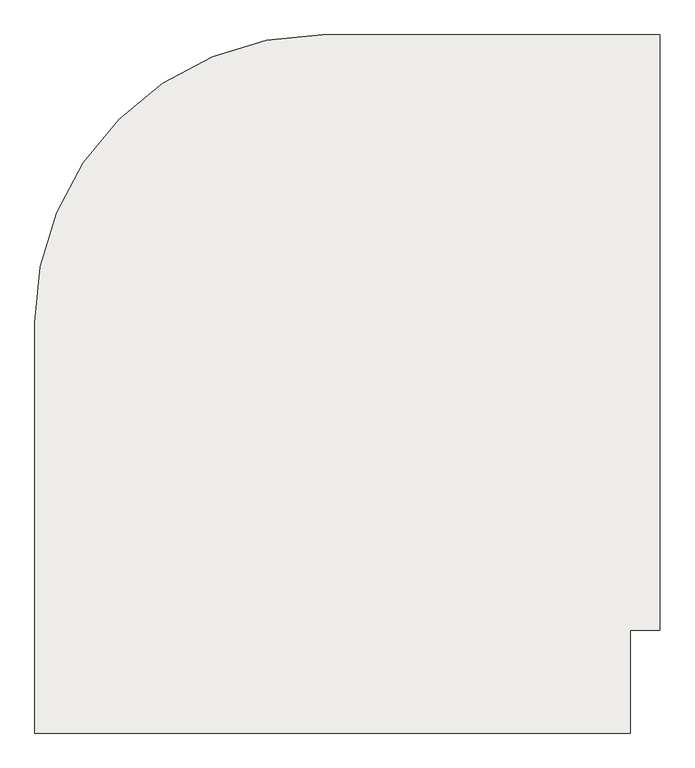
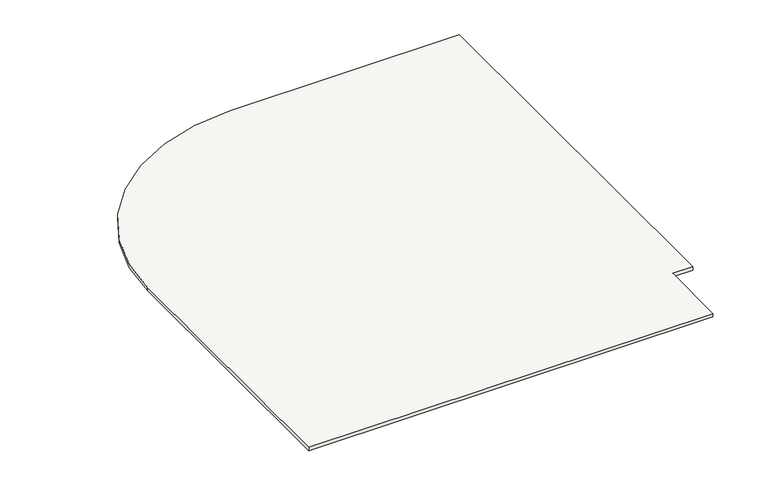
"""IFC4 building model written with IfcOpenShell, lengths in millimetres: slab geometry."""

from ifc_helpers import new_model, si_unit, point, frame, frame_2d, origin, place, context, project, spatial, polyline, circle_curve, trimmed, segment, composite_curve, outline, extrude, source, transform, mapped, element, save


def slab_6c1d0b74(model_context):
    return source(origin(), model_context, "Body", "SweptSolid", [
        extrude(outline(composite_curve([segment(polyline([(138007.7671954, 85709.8253141), (137888.4918276, 85709.8253141), (137888.4918276, 85295.1344505), (135488.4918276, 85295.1344505), (135488.4918276, 86949.8253141)]), True, "CONTINUOUS"), segment(trimmed(circle_curve(frame_2d((136648.4918276, 86949.8253141)), 1160.0), [point((135488.4918276, 86949.8253141))], [point((136648.4918276, 88109.8253141))], False, "CARTESIAN"), True, "CONTINUOUS"), segment(polyline([(136648.4918276, 88109.8253141), (138007.7671954, 88109.8253141), (138007.7671954, 85709.8253141)]), True, "CONTINUOUS")], self_intersect=False)), frame((0.0, 0.0, 7500.4484855), z_axis=(0.0, 0.0, 1.0), x_axis=(1.0, 0.0, 0.0)), (0.0, 0.0, 1.0), 20.0),
    ])


if __name__ == "__main__":
    model = new_model("IFC4")
    model_context = context("Model", 3, world=origin())
    ifc_project = project(units=[si_unit("LENGTHUNIT", "METRE", prefix="MILLI")], contexts=[model_context])
    site = spatial("IfcSite", under=ifc_project)
    building = spatial("IfcBuilding", under=site)
    placement = place(None, origin())
    slab_shape = slab_6c1d0b74(model_context)
    element("IfcSlab", 1, at=placement, inside=building, context=model_context, shape_type="MappedRepresentation", body=[
        mapped(slab_shape, transform((0.0, 0.0, 0.0), x_axis=(1.0, 0.0, 0.0), y_axis=(0.0, 1.0, 0.0), z_axis=(0.0, 0.0, 1.0))),
    ])
    save(model, "model.ifc")
